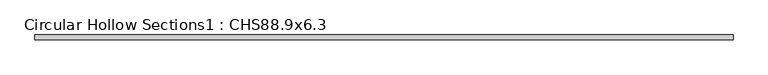
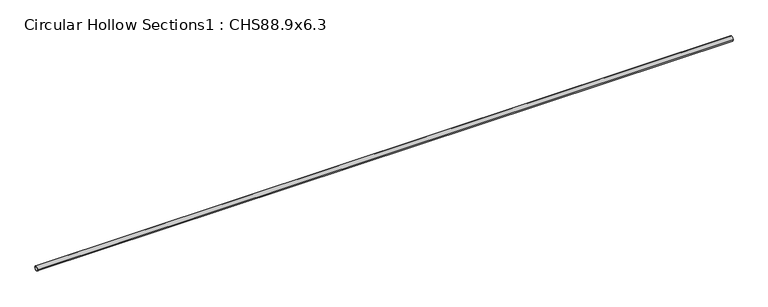
"""IFC4 building model written with IfcOpenShell, lengths in millimetres: beam geometry, Circular Hollow Sections1 : CHS88.9x6.3."""

from ifc_helpers import new_model, si_unit, point, frame, origin, origin_2d, place, context, project, spatial, circle_curve, trimmed, segment, composite_curve, outline, extrude, source, transform, mapped, element, save


def circular_hollow_sections1_chs88_9x6_3_b9a46553(model_context):
    return source(origin(), model_context, "Body", "SweptSolid", [
        extrude(outline(composite_curve([segment(trimmed(circle_curve(origin_2d(), 44.45), [point((-44.45, 0.0))], [point((44.45, 0.0))], False, "CARTESIAN"), True, "CONTINUOUS"), segment(trimmed(circle_curve(origin_2d(), 44.45), [point((44.45, 0.0))], [point((-44.45, 0.0))], False, "CARTESIAN"), True, "CONTINUOUS")], self_intersect=False), holes=[composite_curve([segment(trimmed(circle_curve(origin_2d(), 38.15), [point((38.15, 0.0))], [point((-38.15, 0.0))], True, "CARTESIAN"), True, "CONTINUOUS"), segment(trimmed(circle_curve(origin_2d(), 38.15), [point((-38.15, 0.0))], [point((38.15, 0.0))], True, "CARTESIAN"), True, "CONTINUOUS")], self_intersect=False)]), frame((-6500.0, 0.0, 0.0), z_axis=(1.0, 0.0, 0.0), x_axis=(0.0, 1.0, 0.0)), (0.0, 0.0, 1.0), 13000.0),
    ])


if __name__ == "__main__":
    model = new_model("IFC4")
    model_context = context("Model", 3, world=origin())
    ifc_project = project(units=[si_unit("LENGTHUNIT", "METRE", prefix="MILLI")], contexts=[model_context])
    site = spatial("IfcSite", under=ifc_project)
    building = spatial("IfcBuilding", under=site)
    placement = place(None, origin())
    circular_hollow_sections1_chs88_9x6_3_shape = circular_hollow_sections1_chs88_9x6_3_b9a46553(model_context)
    element("IfcBeam", 1, ObjectType="Circular Hollow Sections1 : CHS88.9x6.3", at=placement, inside=building, context=model_context, shape_type="MappedRepresentation", body=[
        mapped(circular_hollow_sections1_chs88_9x6_3_shape, transform((0.0, 0.0, 0.0), x_axis=(1.0, 0.0, 0.0), y_axis=(0.0, 1.0, 0.0), z_axis=(0.0, 0.0, 1.0))),
    ])
    save(model, "model.ifc")
